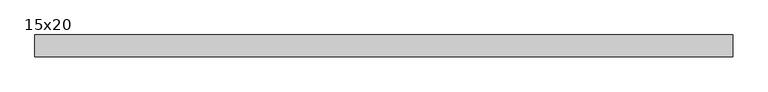
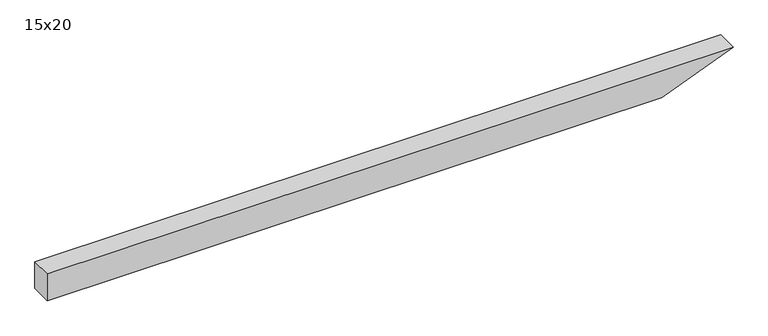
"""IFC4 building model written with IfcOpenShell, lengths in millimetres: beam geometry, 15x20."""

from ifc_helpers import new_model, si_unit, frame, origin, place, context, project, spatial, polyline, outline, extrude, source, transform, mapped, element, save


def beam_15x20_6619a582(model_context):
    return source(origin(), model_context, "Body", "SweptSolid", [
        extrude(outline(polyline([(100.0, -2252.0), (-100.0, -2252.0), (-100.0, 2062.8), (100.0, 2565.0), (100.0, -2252.0)])), frame((0.0, -75.0, 0.0), z_axis=(0.0, 1.0, 0.0), x_axis=(0.0, 0.0, 1.0)), (0.0, 0.0, 1.0), 150.0),
    ])


if __name__ == "__main__":
    model = new_model("IFC4")
    model_context = context("Model", 3, world=origin())
    ifc_project = project(units=[si_unit("LENGTHUNIT", "METRE", prefix="MILLI")], contexts=[model_context])
    site = spatial("IfcSite", under=ifc_project)
    building = spatial("IfcBuilding", under=site)
    placement = place(None, origin())
    beam_15x20_shape = beam_15x20_6619a582(model_context)
    element("IfcBeam", 1, ObjectType="15x20", at=placement, inside=building, context=model_context, shape_type="MappedRepresentation", body=[
        mapped(beam_15x20_shape, transform((0.0, 0.0, 0.0), x_axis=(1.0, 0.0, 0.0), y_axis=(0.0, 1.0, 0.0), z_axis=(0.0, 0.0, 1.0))),
    ])
    save(model, "model.ifc")
